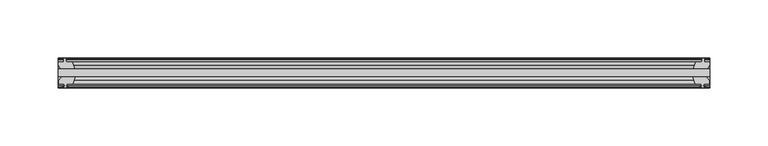
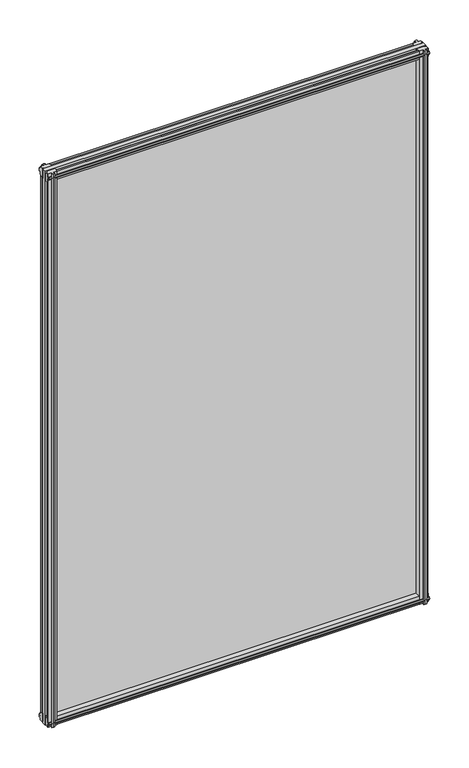
"""IFC4 building model written with IfcOpenShell, lengths in millimetres: plate geometry."""

from ifc_helpers import new_model, si_unit, frame, origin, place, context, project, spatial, polyline, outline, extrude, source, transform, mapped, element, save


def plate_4fbc4677(model_context):
    return source(origin(), model_context, "Body", "SweptSolid", [
        extrude(outline(polyline([(-301.3769531, -19.5460937), (259.9035156, -19.5460937), (259.9035156, -25.8960937), (-301.3769531, -25.8960937), (-301.3769531, -19.5460937)])), frame((0.0, 0.0, -12.7), z_axis=(0.0, 0.0, 1.0), x_axis=(1.0, 0.0, 0.0)), (0.0, 0.0, 1.0), 863.6),
        extrude(outline(polyline([(256.9288194, -25.8960937), (259.1415156, -29.2996938), (259.1415156, -32.2460938), (254.6965156, -32.2460938), (254.3155156, -34.6262907), (255.7310447, -34.1663575), (255.7310447, -34.9675717), (253.5535156, -35.6750938), (251.3759866, -34.9675717), (251.3759866, -34.1663575), (252.7915156, -34.6262907), (252.4105156, -32.2460938), (247.2035156, -32.2460938), (245.0982386, -25.8960937), (256.9288194, -25.8960937)])), frame((0.0, 0.0, -12.7), z_axis=(0.0, 0.0, 1.0), x_axis=(1.0, 0.0, 0.0)), (0.0, 0.0, 1.0), 863.6),
        extrude(outline(polyline([(251.8966866, -10.4746158), (254.0742156, -9.7670938), (256.2517447, -10.4746158), (256.2517447, -11.27583), (254.8362156, -10.8158968), (255.2172156, -13.1960938), (259.6622156, -13.1960938), (259.6622156, -16.1424938), (257.4495194, -19.5460937), (245.6189386, -19.5460937), (247.7242156, -13.1960938), (252.9312156, -13.1960938), (253.3122156, -10.8158968), (251.8966866, -11.27583), (251.8966866, -10.4746158)])), frame((0.0, 0.0, -12.7), z_axis=(0.0, 0.0, 1.0), x_axis=(1.0, 0.0, 0.0)), (0.0, 0.0, 1.0), 863.6),
        extrude(outline(polyline([(-286.5716761, -25.8960937), (-288.6769531, -32.2460937), (-293.8839531, -32.2460937), (-294.2649531, -34.6262907), (-292.8494241, -34.1663575), (-292.8494241, -34.9675717), (-295.0269531, -35.6750937), (-297.2044822, -34.9675717), (-297.2044822, -34.1663575), (-295.7889531, -34.6262907), (-296.1699531, -32.2460937), (-300.6149531, -32.2460937), (-300.6149531, -29.2996937), (-298.4022569, -25.8960937), (-286.5716761, -25.8960937)])), frame((0.0, 0.0, -12.7), z_axis=(0.0, 0.0, 1.0), x_axis=(1.0, 0.0, 0.0)), (0.0, 0.0, 1.0), 863.6),
        extrude(outline(polyline([(-296.3096531, -10.8158968), (-297.7251822, -11.27583), (-297.7251822, -10.4746158), (-295.5476531, -9.7670937), (-293.3701241, -10.4746158), (-293.3701241, -11.27583), (-294.7856531, -10.8158968), (-294.4046531, -13.1960937), (-289.1976531, -13.1960937), (-287.0923761, -19.5460937), (-298.9229569, -19.5460937), (-301.1356531, -16.1424937), (-301.1356531, -13.1960937), (-296.6906531, -13.1960937), (-296.3096531, -10.8158968)])), frame((0.0, 0.0, -12.7), z_axis=(0.0, 0.0, 1.0), x_axis=(1.0, 0.0, 0.0)), (0.0, 0.0, 1.0), 863.6),
        extrude(outline(polyline([(-13.1960937, 850.6587), (-13.1960937, 846.2137), (-10.8158968, 845.8327), (-11.27583, 847.248229), (-10.4746158, 847.248229), (-9.7670937, 845.0707), (-10.4746158, 842.8931709), (-11.27583, 842.8931709), (-10.8158968, 844.3087), (-13.1960937, 843.9277), (-13.1960937, 838.7207), (-19.5460937, 836.6154229), (-19.5460937, 848.4460038), (-16.1424937, 850.6587), (-13.1960937, 850.6587)])), frame((-301.3769531, 0.0, 0.0), z_axis=(1.0, 0.0, 0.0), x_axis=(0.0, 1.0, 0.0)), (0.0, 0.0, 1.0), 561.2804687),
        extrude(outline(polyline([(-29.2996937, 850.138), (-25.8960937, 847.9253038), (-25.8960937, 836.0947229), (-32.2460937, 838.2), (-32.2460937, 843.407), (-34.6262907, 843.788), (-34.1663575, 842.3724709), (-34.9675717, 842.3724709), (-35.6750937, 844.55), (-34.9675717, 846.7275291), (-34.1663575, 846.7275291), (-34.6262907, 845.312), (-32.2460937, 845.693), (-32.2460937, 850.138), (-29.2996937, 850.138)])), frame((-301.3769531, 0.0, 0.0), z_axis=(1.0, 0.0, 0.0), x_axis=(0.0, 1.0, 0.0)), (0.0, 0.0, 1.0), 561.2804687),
        extrude(outline(polyline([(-25.8960937, 2.1052771), (-25.8960937, -9.7253038), (-29.2996937, -11.938), (-32.2460937, -11.938), (-32.2460937, -7.493), (-34.6262907, -7.112), (-34.1663575, -8.5275291), (-34.9675717, -8.5275291), (-35.6750937, -6.35), (-34.9675717, -4.1724709), (-34.1663575, -4.1724709), (-34.6262907, -5.588), (-32.2460937, -5.207), (-32.2460937, 0.0), (-25.8960937, 2.1052771)])), frame((-301.3769531, 0.0, 0.0), z_axis=(1.0, 0.0, 0.0), x_axis=(0.0, 1.0, 0.0)), (0.0, 0.0, 1.0), 561.2804687),
        extrude(outline(polyline([(-19.5460937, 1.5845771), (-13.1960937, -0.5207), (-13.1960937, -5.7277), (-10.8158968, -6.1087), (-11.27583, -4.6931709), (-10.4746158, -4.6931709), (-9.7670937, -6.8707), (-10.4746158, -9.048229), (-11.27583, -9.048229), (-10.8158968, -7.6327), (-13.1960937, -8.0137), (-13.1960937, -12.4587), (-16.1424937, -12.4587), (-19.5460937, -10.2460038), (-19.5460937, 1.5845771)])), frame((-301.3769531, 0.0, 0.0), z_axis=(1.0, 0.0, 0.0), x_axis=(0.0, 1.0, 0.0)), (0.0, 0.0, 1.0), 561.2804687),
    ])


if __name__ == "__main__":
    model = new_model("IFC4")
    model_context = context("Model", 3, world=origin())
    ifc_project = project(units=[si_unit("LENGTHUNIT", "METRE", prefix="MILLI")], contexts=[model_context])
    site = spatial("IfcSite", under=ifc_project)
    building = spatial("IfcBuilding", under=site)
    placement = place(None, origin())
    plate_shape = plate_4fbc4677(model_context)
    element("IfcPlate", 1, at=placement, inside=building, context=model_context, shape_type="MappedRepresentation", body=[
        mapped(plate_shape, transform((0.0, 0.0, 0.0), x_axis=(1.0, 0.0, 0.0), y_axis=(0.0, 1.0, 0.0), z_axis=(0.0, 0.0, 1.0))),
    ])
    save(model, "model.ifc")
